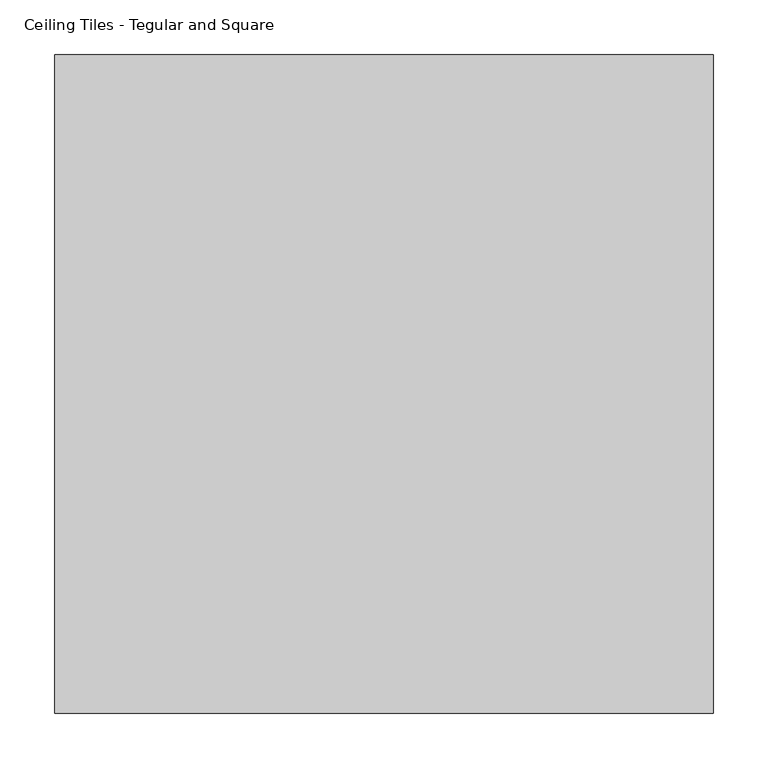
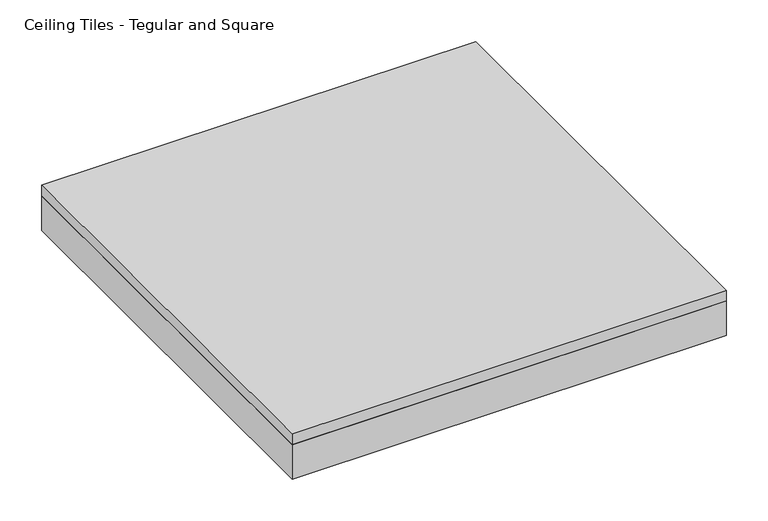
"""IFC4 building model written with IfcOpenShell, lengths in millimetres: proxy geometry, Ceiling Tiles - Tegular and Square."""

from ifc_helpers import new_model, si_unit, frame, origin, origin_with_axes, place, context, project, spatial, polyline, outline, extrude, source, transform, mapped, element, save


def ceiling_tiles_tegular_and_square_dbf5ddcb(model_context):
    return source(origin(), model_context, "Body", "SweptSolid", [
        extrude(outline(polyline([(301.625, 301.625), (301.625, -301.625), (-301.625, -301.625), (-301.625, 301.625), (301.625, 301.625)])), origin_with_axes(), (0.0, 0.0, 1.0), 50.8),
        extrude(outline(polyline([(-301.625, 301.625), (301.625, 301.625), (301.625, -301.625), (-301.625, -301.625), (-301.625, 301.625)])), frame((0.0, 0.0, 50.8), z_axis=(0.0, 0.0, 1.0), x_axis=(1.0, 0.0, 0.0)), (0.0, 0.0, 1.0), 15.875),
    ])


if __name__ == "__main__":
    model = new_model("IFC4")
    model_context = context("Model", 3, world=origin())
    ifc_project = project(units=[si_unit("LENGTHUNIT", "METRE", prefix="MILLI")], contexts=[model_context])
    site = spatial("IfcSite", under=ifc_project)
    building = spatial("IfcBuilding", under=site)
    placement = place(None, origin())
    ceiling_tiles_tegular_and_square_shape = ceiling_tiles_tegular_and_square_dbf5ddcb(model_context)
    element("IfcBuildingElementProxy", 1, Name="Ceiling Tiles - Tegular and Square", ObjectType="Ceiling Tiles - Tegular and Square", at=placement, inside=building, context=model_context, shape_type="MappedRepresentation", body=[
        mapped(ceiling_tiles_tegular_and_square_shape, transform((0.0, 0.0, 0.0), x_axis=(1.0, 0.0, 0.0), y_axis=(0.0, 1.0, 0.0), z_axis=(0.0, 0.0, 1.0))),
    ])
    save(model, "model.ifc")
